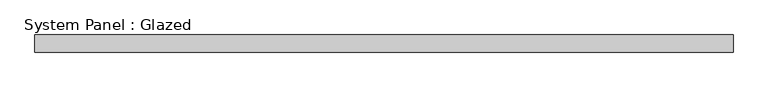
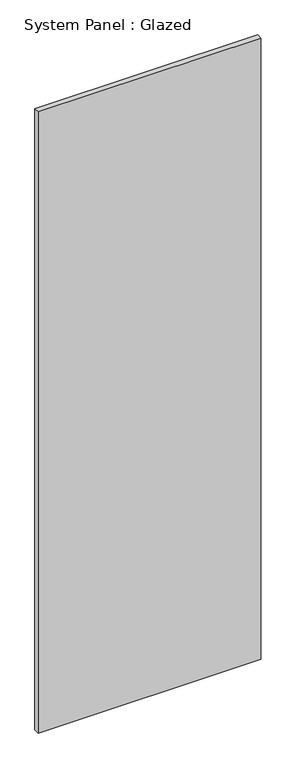
"""IFC4 building model written with IfcOpenShell, lengths in millimetres: plate geometry, System Panel : Glazed."""

from ifc_helpers import new_model, si_unit, origin, origin_with_axes, place, context, project, spatial, polyline, outline, extrude, source, transform, mapped, element, save


def system_panel_glazed_23c9f192(model_context):
    return source(origin(), model_context, "Body", "SweptSolid", [
        extrude(outline(polyline([(508.0, -12.7), (-508.0, -12.7), (-508.0, 12.7), (508.0, 12.7), (508.0, -12.7)])), origin_with_axes(), (0.0, 0.0, 1.0), 2994.025),
    ])


if __name__ == "__main__":
    model = new_model("IFC4")
    model_context = context("Model", 3, world=origin())
    ifc_project = project(units=[si_unit("LENGTHUNIT", "METRE", prefix="MILLI")], contexts=[model_context])
    site = spatial("IfcSite", under=ifc_project)
    building = spatial("IfcBuilding", under=site)
    placement = place(None, origin())
    system_panel_glazed_shape = system_panel_glazed_23c9f192(model_context)
    element("IfcPlate", 1, ObjectType="System Panel : Glazed", at=placement, inside=building, context=model_context, shape_type="MappedRepresentation", body=[
        mapped(system_panel_glazed_shape, transform((0.0, 0.0, 0.0), x_axis=(1.0, 0.0, 0.0), y_axis=(0.0, 1.0, 0.0), z_axis=(0.0, 0.0, 1.0))),
    ])
    save(model, "model.ifc")
